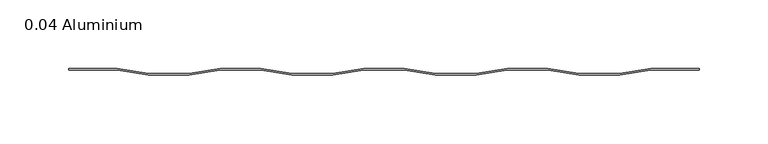
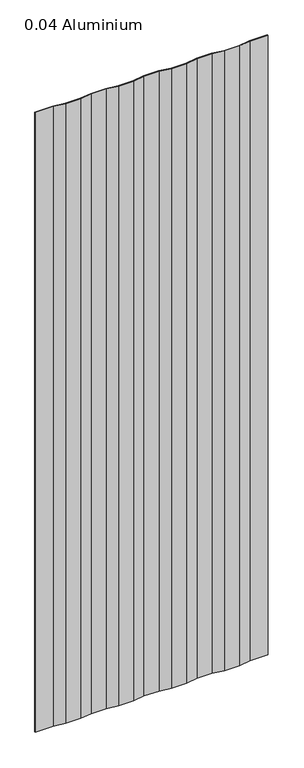
"""IFC4 building model written with IfcOpenShell, lengths in millimetres: plate geometry, 0.04 Aluminium."""

from ifc_helpers import new_model, si_unit, origin, origin_with_axes, place, context, project, spatial, polyline, outline, extrude, source, transform, mapped, element, save


def plate_0_04_aluminium_b6a9933e(model_context):
    return source(origin(), model_context, "Body", "SweptSolid", [
        extrude(outline(polyline([(14.706393, 0.0), (-14.706393, 0.0), (-37.203173, -3.54838), (-66.870787, -3.54838), (-89.367567, 0.0), (-118.780353, 0.0), (-141.277133, -3.54838), (-170.944747, -3.54838), (-193.441527, 0.0), (-228.6, 0.0), (-228.6, 1.016), (-193.37782, 1.016), (-170.88104, -2.53238), (-141.34084, -2.53238), (-118.84406, 1.016), (-89.30386, 1.016), (-66.80708, -2.53238), (-37.26688, -2.53238), (-14.7701, 1.016), (14.7701, 1.016), (37.26688, -2.53238), (66.80708, -2.53238), (89.30386, 1.016), (118.84406, 1.016), (141.34084, -2.53238), (170.88104, -2.53238), (193.37782, 1.016), (228.6, 1.016), (228.6, 0.0), (193.441527, 0.0), (170.944747, -3.54838), (141.277133, -3.54838), (118.780353, 0.0), (89.367567, 0.0), (66.870787, -3.54838), (37.203173, -3.54838), (14.706393, 0.0)])), origin_with_axes(), (0.0, 0.0, 1.0), 1285.875),
    ])


if __name__ == "__main__":
    model = new_model("IFC4")
    model_context = context("Model", 3, world=origin())
    ifc_project = project(units=[si_unit("LENGTHUNIT", "METRE", prefix="MILLI")], contexts=[model_context])
    site = spatial("IfcSite", under=ifc_project)
    building = spatial("IfcBuilding", under=site)
    placement = place(None, origin())
    plate_0_04_aluminium_shape = plate_0_04_aluminium_b6a9933e(model_context)
    element("IfcPlate", 1, ObjectType="0.04 Aluminium", at=placement, inside=building, context=model_context, shape_type="MappedRepresentation", body=[
        mapped(plate_0_04_aluminium_shape, transform((0.0, 0.0, 0.0), x_axis=(1.0, 0.0, 0.0), y_axis=(0.0, 1.0, 0.0), z_axis=(0.0, 0.0, 1.0))),
    ])
    save(model, "model.ifc")
